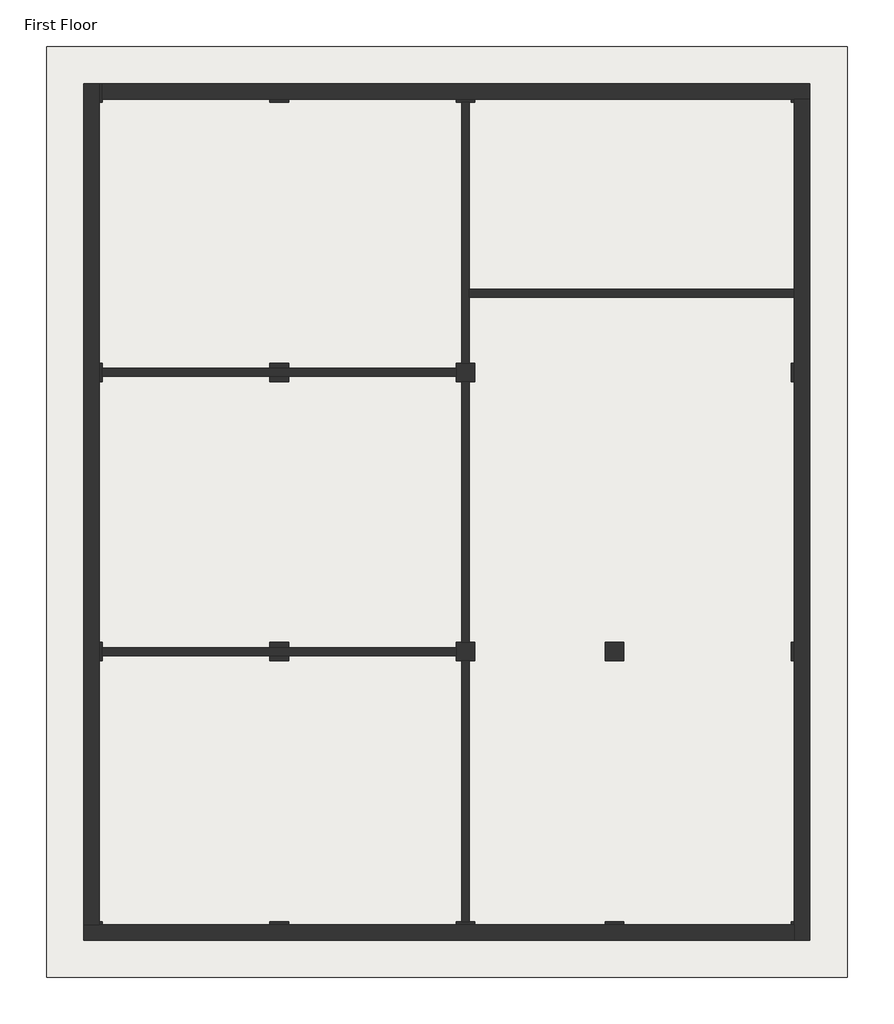
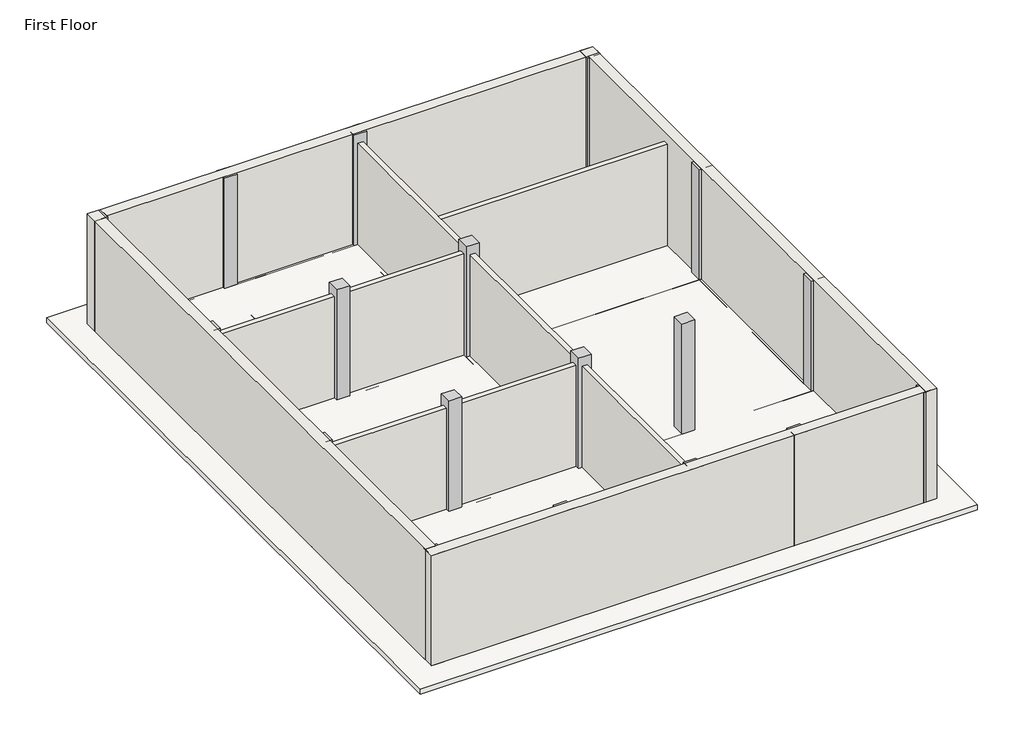
# One storey: 27 beams, 18 columns, 10 walls, 1 slab.
"""IFC4 building model written with IfcOpenShell, lengths in millimetres."""

from ifc_helpers import new_model, si_unit, frame, origin, place, context, project, spatial, polyline, outline, extrude, faceted_brep, element, save

model = new_model("IFC4")

# Units and contexts
model_context = context("Model", 3, world=origin())
ifc_project = project(units=[si_unit("LENGTHUNIT", "METRE", prefix="MILLI")], contexts=[model_context])

# Site, building, storey
site = spatial("IfcSite", under=ifc_project)
building = spatial("IfcBuilding", under=site)
storey = spatial("IfcBuildingStorey", under=building, Name="First Floor", Elevation=2870.2)

# Beams
placement = place(None, origin())
element("IfcBeam", 1, ObjectType="Concrete-Rectangular Beam", at=placement, inside=storey, context=model_context, shape_type="Brep", body=[
    faceted_brep([(6210.1409002, -15344.0114294, 2870.2), (6210.1409002, -15039.2114294, 2870.2), (5905.3409002, -15039.2114294, 2870.2), (3162.1409002, -15039.2114294, 2870.2), (2857.3409002, -15039.2114294, 2870.2), (2857.3409002, -15344.0114294, 2870.2), (3162.1409002, -15344.0114294, 2870.2), (5905.3409002, -15344.0114294, 2870.2), (2857.3409002, -15344.0114294, 2743.2), (3162.1409002, -15344.0114294, 2743.2), (3162.1409002, -15344.0114294, 2514.6), (5905.3409002, -15344.0114294, 2514.6), (5905.3409002, -15344.0114294, 2743.2), (6210.1409002, -15344.0114294, 2743.2), (3162.1409002, -15039.2114294, 2514.6), (5905.3409002, -15039.2114294, 2514.6), (6210.1409002, -15039.2114294, 2743.2), (5905.3409002, -15039.2114294, 2743.2), (3162.1409002, -15039.2114294, 2743.2), (2857.3409002, -15039.2114294, 2743.2)], [[[0, 1, 2, 3, 4, 5, 6, 7]], [[0, 7, 6, 5, 8, 9, 10, 11, 12, 13]], [[10, 14, 15, 11]], [[4, 3, 2, 1, 16, 17, 15, 14, 18, 19]], [[1, 0, 13, 16]], [[5, 4, 19, 8]], [[9, 18, 14, 10]], [[18, 9, 8, 19]], [[17, 12, 11, 15]], [[12, 17, 16, 13]]]),
])
element("IfcBeam", 2, ObjectType="Concrete-Rectangular Beam", at=placement, inside=storey, context=model_context, shape_type="Brep", body=[
    faceted_brep([(9258.1409002, -15344.0114294, 2870.2), (9258.1409002, -15039.2114294, 2870.2), (8953.3409002, -15039.2114294, 2870.2), (6210.1409002, -15039.2114294, 2870.2), (6210.1409002, -15344.0114294, 2870.2), (8953.3409002, -15344.0114294, 2870.2), (6210.1409002, -15344.0114294, 2743.2), (6210.1409002, -15344.0114294, 2514.6), (8953.3409002, -15344.0114294, 2514.6), (8953.3409002, -15344.0114294, 2743.2), (9258.1409002, -15344.0114294, 2743.2), (6210.1409002, -15039.2114294, 2514.6), (8953.3409002, -15039.2114294, 2514.6), (9258.1409002, -15039.2114294, 2743.2), (8953.3409002, -15039.2114294, 2743.2), (6210.1409002, -15039.2114294, 2743.2)], [[[0, 1, 2, 3, 4, 5]], [[0, 5, 4, 6, 7, 8, 9, 10]], [[7, 11, 12, 8]], [[3, 2, 1, 13, 14, 12, 11, 15]], [[1, 0, 10, 13]], [[4, 3, 15, 11, 7, 6]], [[14, 9, 8, 12]], [[9, 14, 13, 10]]]),
])
element("IfcBeam", 3, ObjectType="Concrete-Rectangular Beam", at=placement, inside=storey, context=model_context, shape_type="Brep", body=[
    faceted_brep([(11696.5409002, -15344.0114294, 2870.2), (11696.5409002, -15039.2114294, 2870.2), (11391.7409002, -15039.2114294, 2870.2), (9258.1409002, -15039.2114294, 2870.2), (9258.1409002, -15344.0114294, 2870.2), (11391.7409002, -15344.0114294, 2870.2), (9258.1409002, -15344.0114294, 2743.2), (9258.1409002, -15344.0114294, 2514.6), (11391.7409002, -15344.0114294, 2514.6), (11391.7409002, -15344.0114294, 2743.2), (11696.5409002, -15344.0114294, 2743.2), (9258.1409002, -15039.2114294, 2514.6), (11391.7409002, -15039.2114294, 2514.6), (11696.5409002, -15039.2114294, 2743.2), (11391.7409002, -15039.2114294, 2743.2), (9258.1409002, -15039.2114294, 2743.2)], [[[0, 1, 2, 3, 4, 5]], [[0, 5, 4, 6, 7, 8, 9, 10]], [[7, 11, 12, 8]], [[3, 2, 1, 13, 14, 12, 11, 15]], [[1, 0, 10, 13]], [[4, 3, 15, 11, 7, 6]], [[14, 9, 8, 12]], [[9, 14, 13, 10]]]),
])
element("IfcBeam", 4, ObjectType="Concrete-Rectangular Beam", at=placement, inside=storey, context=model_context, shape_type="Brep", body=[
    faceted_brep([(14744.5409002, -15344.0114294, 2870.2), (14744.5409002, -15039.2114294, 2870.2), (14439.7409002, -15039.2114294, 2870.2), (11696.5409002, -15039.2114294, 2870.2), (11696.5409002, -15344.0114294, 2870.2), (14439.7409002, -15344.0114294, 2870.2), (11696.5409002, -15344.0114294, 2743.2), (11696.5409002, -15344.0114294, 2514.6), (14439.7409002, -15344.0114294, 2514.6), (14439.7409002, -15344.0114294, 2743.2), (14744.5409002, -15344.0114294, 2743.2), (11696.5409002, -15039.2114294, 2514.6), (14439.7409002, -15039.2114294, 2514.6), (14744.5409002, -15039.2114294, 2743.2), (14439.7409002, -15039.2114294, 2743.2), (11696.5409002, -15039.2114294, 2743.2)], [[[0, 1, 2, 3, 4, 5]], [[0, 5, 4, 6, 7, 8, 9, 10]], [[7, 11, 12, 8]], [[3, 2, 1, 13, 14, 12, 11, 15]], [[1, 0, 10, 13]], [[4, 3, 15, 11, 7, 6]], [[14, 9, 8, 12]], [[9, 14, 13, 10]]]),
])
element("IfcBeam", 5, ObjectType="Concrete-Rectangular Beam", at=placement, inside=storey, context=model_context, shape_type="Brep", body=[
    faceted_brep([(6210.1409002, -10772.0114294, 2870.2), (6210.1409002, -10467.2114294, 2870.2), (5905.3409002, -10467.2114294, 2870.2), (3162.1409002, -10467.2114294, 2870.2), (2857.3409002, -10467.2114294, 2870.2), (2857.3409002, -10772.0114294, 2870.2), (3162.1409002, -10772.0114294, 2870.2), (5905.3409002, -10772.0114294, 2870.2), (2857.3409002, -10772.0114294, 2743.2), (3162.1409002, -10772.0114294, 2743.2), (3162.1409002, -10772.0114294, 2514.6), (5905.3409002, -10772.0114294, 2514.6), (5905.3409002, -10772.0114294, 2743.2), (6210.1409002, -10772.0114294, 2743.2), (3162.1409002, -10467.2114294, 2514.6), (5905.3409002, -10467.2114294, 2514.6), (6210.1409002, -10467.2114294, 2743.2), (5905.3409002, -10467.2114294, 2743.2), (3162.1409002, -10467.2114294, 2743.2), (2857.3409002, -10467.2114294, 2743.2)], [[[0, 1, 2, 3, 4, 5, 6, 7]], [[0, 7, 6, 5, 8, 9, 10, 11, 12, 13]], [[10, 14, 15, 11]], [[4, 3, 2, 1, 16, 17, 15, 14, 18, 19]], [[1, 0, 13, 16]], [[5, 4, 19, 8]], [[9, 18, 14, 10]], [[18, 9, 8, 19]], [[17, 12, 11, 15]], [[12, 17, 16, 13]]]),
])
element("IfcBeam", 6, ObjectType="Concrete-Rectangular Beam", at=placement, inside=storey, context=model_context, shape_type="Brep", body=[
    faceted_brep([(9258.1409002, -10772.0114294, 2870.2), (9258.1409002, -10467.2114294, 2870.2), (8953.3409002, -10467.2114294, 2870.2), (6210.1409002, -10467.2114294, 2870.2), (6210.1409002, -10772.0114294, 2870.2), (8953.3409002, -10772.0114294, 2870.2), (6210.1409002, -10772.0114294, 2743.2), (6210.1409002, -10772.0114294, 2514.6), (8953.3409002, -10772.0114294, 2514.6), (8953.3409002, -10772.0114294, 2743.2), (9258.1409002, -10772.0114294, 2743.2), (6210.1409002, -10467.2114294, 2514.6), (8953.3409002, -10467.2114294, 2514.6), (9258.1409002, -10467.2114294, 2743.2), (8953.3409002, -10467.2114294, 2743.2), (6210.1409002, -10467.2114294, 2743.2)], [[[0, 1, 2, 3, 4, 5]], [[0, 5, 4, 6, 7, 8, 9, 10]], [[7, 11, 12, 8]], [[3, 2, 1, 13, 14, 12, 11, 15]], [[1, 0, 10, 13]], [[4, 3, 15, 11, 7, 6]], [[14, 9, 8, 12]], [[9, 14, 13, 10]]]),
])
element("IfcBeam", 7, ObjectType="Concrete-Rectangular Beam", at=placement, inside=storey, context=model_context, shape_type="Brep", body=[
    faceted_brep([(11696.5409002, -10772.0114294, 2870.2), (11696.5409002, -10467.2114294, 2870.2), (11391.7409002, -10467.2114294, 2870.2), (9258.1409002, -10467.2114294, 2870.2), (9258.1409002, -10772.0114294, 2870.2), (11391.7409002, -10772.0114294, 2870.2), (9258.1409002, -10772.0114294, 2743.2), (9258.1409002, -10772.0114294, 2514.6), (11391.7409002, -10772.0114294, 2514.6), (11391.7409002, -10772.0114294, 2743.2), (11696.5409002, -10772.0114294, 2743.2), (9258.1409002, -10467.2114294, 2514.6), (11391.7409002, -10467.2114294, 2514.6), (11696.5409002, -10467.2114294, 2743.2), (11391.7409002, -10467.2114294, 2743.2), (9258.1409002, -10467.2114294, 2743.2)], [[[0, 1, 2, 3, 4, 5]], [[0, 5, 4, 6, 7, 8, 9, 10]], [[7, 11, 12, 8]], [[3, 2, 1, 13, 14, 12, 11, 15]], [[1, 0, 10, 13]], [[4, 3, 15, 11, 7, 6]], [[14, 9, 8, 12]], [[9, 14, 13, 10]]]),
])
element("IfcBeam", 8, ObjectType="Concrete-Rectangular Beam", at=placement, inside=storey, context=model_context, shape_type="Brep", body=[
    faceted_brep([(14744.5409002, -10772.0114294, 2870.2), (14744.5409002, -10467.2114294, 2870.2), (14439.7409002, -10467.2114294, 2870.2), (11696.5409002, -10467.2114294, 2870.2), (11696.5409002, -10772.0114294, 2870.2), (14439.7409002, -10772.0114294, 2870.2), (11696.5409002, -10772.0114294, 2743.2), (11696.5409002, -10772.0114294, 2514.6), (14439.7409002, -10772.0114294, 2514.6), (14439.7409002, -10772.0114294, 2743.2), (14744.5409002, -10772.0114294, 2743.2), (11696.5409002, -10467.2114294, 2514.6), (14439.7409002, -10467.2114294, 2514.6), (14744.5409002, -10467.2114294, 2743.2), (14439.7409002, -10467.2114294, 2743.2), (11696.5409002, -10467.2114294, 2743.2)], [[[0, 1, 2, 3, 4, 5]], [[0, 5, 4, 6, 7, 8, 9, 10]], [[7, 11, 12, 8]], [[3, 2, 1, 13, 14, 12, 11, 15]], [[1, 0, 10, 13]], [[4, 3, 15, 11, 7, 6]], [[14, 9, 8, 12]], [[9, 14, 13, 10]]]),
])
element("IfcBeam", 9, ObjectType="Concrete-Rectangular Beam", at=placement, inside=storey, context=model_context, shape_type="Brep", body=[
    faceted_brep([(6210.1409002, -6200.0114294, 2870.2), (6210.1409002, -5895.2114294, 2870.2), (5905.3409002, -5895.2114294, 2870.2), (3162.1409002, -5895.2114294, 2870.2), (2857.3409002, -5895.2114294, 2870.2), (2857.3409002, -6200.0114294, 2870.2), (3162.1409002, -6200.0114294, 2870.2), (5905.3409002, -6200.0114294, 2870.2), (2857.3409002, -6200.0114294, 2743.2), (3162.1409002, -6200.0114294, 2743.2), (3162.1409002, -6200.0114294, 2514.6), (5905.3409002, -6200.0114294, 2514.6), (5905.3409002, -6200.0114294, 2743.2), (6210.1409002, -6200.0114294, 2743.2), (3162.1409002, -5895.2114294, 2514.6), (5905.3409002, -5895.2114294, 2514.6), (6210.1409002, -5895.2114294, 2743.2), (5905.3409002, -5895.2114294, 2743.2), (3162.1409002, -5895.2114294, 2743.2), (2857.3409002, -5895.2114294, 2743.2)], [[[0, 1, 2, 3, 4, 5, 6, 7]], [[0, 7, 6, 5, 8, 9, 10, 11, 12, 13]], [[10, 14, 15, 11]], [[4, 3, 2, 1, 16, 17, 15, 14, 18, 19]], [[1, 0, 13, 16]], [[5, 4, 19, 8]], [[9, 18, 14, 10]], [[18, 9, 8, 19]], [[17, 12, 11, 15]], [[12, 17, 16, 13]]]),
])
element("IfcBeam", 10, ObjectType="Concrete-Rectangular Beam", at=placement, inside=storey, context=model_context, shape_type="Brep", body=[
    faceted_brep([(9258.1409002, -6200.0114294, 2870.2), (9258.1409002, -5895.2114294, 2870.2), (8953.3409002, -5895.2114294, 2870.2), (6210.1409002, -5895.2114294, 2870.2), (6210.1409002, -6200.0114294, 2870.2), (8953.3409002, -6200.0114294, 2870.2), (6210.1409002, -6200.0114294, 2743.2), (6210.1409002, -6200.0114294, 2514.6), (8953.3409002, -6200.0114294, 2514.6), (8953.3409002, -6200.0114294, 2743.2), (9258.1409002, -6200.0114294, 2743.2), (6210.1409002, -5895.2114294, 2514.6), (8953.3409002, -5895.2114294, 2514.6), (9258.1409002, -5895.2114294, 2743.2), (8953.3409002, -5895.2114294, 2743.2), (6210.1409002, -5895.2114294, 2743.2)], [[[0, 1, 2, 3, 4, 5]], [[0, 5, 4, 6, 7, 8, 9, 10]], [[7, 11, 12, 8]], [[3, 2, 1, 13, 14, 12, 11, 15]], [[1, 0, 10, 13]], [[4, 3, 15, 11, 7, 6]], [[14, 9, 8, 12]], [[9, 14, 13, 10]]]),
])
element("IfcBeam", 11, ObjectType="Concrete-Rectangular Beam", at=placement, inside=storey, context=model_context, shape_type="Brep", body=[
    faceted_brep([(14744.5409002, -6200.0114294, 2870.2), (14744.5409002, -5895.2114294, 2870.2), (14439.7409002, -5895.2114294, 2870.2), (9258.1409002, -5895.2114294, 2870.2), (9258.1409002, -6200.0114294, 2870.2), (14439.7409002, -6200.0114294, 2870.2), (9258.1409002, -6200.0114294, 2743.2), (9258.1409002, -6200.0114294, 2514.6), (14439.7409002, -6200.0114294, 2514.6), (14439.7409002, -6200.0114294, 2743.2), (14744.5409002, -6200.0114294, 2743.2), (9258.1409002, -5895.2114294, 2514.6), (14439.7409002, -5895.2114294, 2514.6), (14744.5409002, -5895.2114294, 2743.2), (14439.7409002, -5895.2114294, 2743.2), (9258.1409002, -5895.2114294, 2743.2)], [[[0, 1, 2, 3, 4, 5]], [[0, 5, 4, 6, 7, 8, 9, 10]], [[7, 11, 12, 8]], [[3, 2, 1, 13, 14, 12, 11, 15]], [[1, 0, 10, 13]], [[4, 3, 15, 11, 7, 6]], [[14, 9, 8, 12]], [[9, 14, 13, 10]]]),
])
element("IfcBeam", 12, ObjectType="Concrete-Rectangular Beam", at=placement, inside=storey, context=model_context, shape_type="Brep", body=[
    faceted_brep([(3162.1409002, -1323.2114294, 2870.2), (2857.3409002, -1323.2114294, 2870.2), (2857.3409002, -1628.0114294, 2870.2), (2857.3409002, -5895.2114294, 2870.2), (3162.1409002, -5895.2114294, 2870.2), (3162.1409002, -1628.0114294, 2870.2), (2857.3409002, -1323.2114294, 2743.2), (2857.3409002, -1628.0114294, 2743.2), (2857.3409002, -1628.0114294, 2514.6), (2857.3409002, -5895.2114294, 2514.6), (2857.3409002, -5895.2114294, 2743.2), (3162.1409002, -5895.2114294, 2514.6), (3162.1409002, -1628.0114294, 2514.6), (3162.1409002, -5895.2114294, 2743.2), (3162.1409002, -1628.0114294, 2743.2), (3162.1409002, -1323.2114294, 2743.2)], [[[0, 1, 2, 3, 4, 5]], [[3, 2, 1, 6, 7, 8, 9, 10]], [[11, 9, 8, 12]], [[0, 5, 4, 13, 11, 12, 14, 15]], [[1, 0, 15, 6]], [[4, 3, 10, 9, 11, 13]], [[7, 14, 12, 8]], [[14, 7, 6, 15]]]),
])
element("IfcBeam", 13, ObjectType="Concrete-Rectangular Beam", at=placement, inside=storey, context=model_context, shape_type="Brep", body=[
    faceted_brep([(2857.3409002, -10467.2114294, 2870.2), (3162.1409002, -10467.2114294, 2870.2), (3162.1409002, -6200.0114294, 2870.2), (2857.3409002, -6200.0114294, 2870.2), (2857.3409002, -10467.2114294, 2514.6), (2857.3409002, -10467.2114294, 2743.2), (2857.3409002, -6200.0114294, 2743.2), (2857.3409002, -6200.0114294, 2514.6), (3162.1409002, -10467.2114294, 2514.6), (3162.1409002, -6200.0114294, 2514.6), (3162.1409002, -10467.2114294, 2743.2), (3162.1409002, -6200.0114294, 2743.2)], [[[0, 1, 2, 3]], [[4, 5, 0, 3, 6, 7]], [[8, 4, 7, 9]], [[1, 10, 8, 9, 11, 2]], [[1, 0, 5, 4, 8, 10]], [[3, 2, 11, 9, 7, 6]]]),
])
element("IfcBeam", 14, ObjectType="Concrete-Rectangular Beam", at=placement, inside=storey, context=model_context, shape_type="Brep", body=[
    faceted_brep([(2857.3409002, -15039.2114294, 2870.2), (3162.1409002, -15039.2114294, 2870.2), (3162.1409002, -10772.0114294, 2870.2), (2857.3409002, -10772.0114294, 2870.2), (2857.3409002, -15039.2114294, 2514.6), (2857.3409002, -15039.2114294, 2743.2), (2857.3409002, -10772.0114294, 2743.2), (2857.3409002, -10772.0114294, 2514.6), (3162.1409002, -15039.2114294, 2514.6), (3162.1409002, -10772.0114294, 2514.6), (3162.1409002, -15039.2114294, 2743.2), (3162.1409002, -10772.0114294, 2743.2)], [[[0, 1, 2, 3]], [[4, 5, 0, 3, 6, 7]], [[8, 4, 7, 9]], [[1, 10, 8, 9, 11, 2]], [[1, 0, 5, 4, 8, 10]], [[3, 2, 11, 9, 7, 6]]]),
])
element("IfcBeam", 15, ObjectType="Concrete-Rectangular Beam", at=placement, inside=storey, context=model_context, shape_type="Brep", body=[
    faceted_brep([(9258.1409002, -1323.2114294, 2870.2), (8953.3409002, -1323.2114294, 2870.2), (8953.3409002, -1628.0114294, 2870.2), (8953.3409002, -5895.2114294, 2870.2), (9258.1409002, -5895.2114294, 2870.2), (9258.1409002, -1628.0114294, 2870.2), (8953.3409002, -1323.2114294, 2743.2), (8953.3409002, -1628.0114294, 2743.2), (8953.3409002, -1628.0114294, 2514.6), (8953.3409002, -5895.2114294, 2514.6), (8953.3409002, -5895.2114294, 2743.2), (9258.1409002, -5895.2114294, 2514.6), (9258.1409002, -1628.0114294, 2514.6), (9258.1409002, -5895.2114294, 2743.2), (9258.1409002, -1628.0114294, 2743.2), (9258.1409002, -1323.2114294, 2743.2)], [[[0, 1, 2, 3, 4, 5]], [[3, 2, 1, 6, 7, 8, 9, 10]], [[11, 9, 8, 12]], [[0, 5, 4, 13, 11, 12, 14, 15]], [[1, 0, 15, 6]], [[4, 3, 10, 9, 11, 13]], [[7, 14, 12, 8]], [[14, 7, 6, 15]]]),
])
element("IfcBeam", 16, ObjectType="Concrete-Rectangular Beam", at=placement, inside=storey, context=model_context, shape_type="Brep", body=[
    faceted_brep([(8953.3409002, -10467.2114294, 2870.2), (9258.1409002, -10467.2114294, 2870.2), (9258.1409002, -6200.0114294, 2870.2), (8953.3409002, -6200.0114294, 2870.2), (8953.3409002, -10467.2114294, 2514.6), (8953.3409002, -10467.2114294, 2743.2), (8953.3409002, -6200.0114294, 2743.2), (8953.3409002, -6200.0114294, 2514.6), (9258.1409002, -10467.2114294, 2514.6), (9258.1409002, -6200.0114294, 2514.6), (9258.1409002, -10467.2114294, 2743.2), (9258.1409002, -6200.0114294, 2743.2)], [[[0, 1, 2, 3]], [[4, 5, 0, 3, 6, 7]], [[8, 4, 7, 9]], [[1, 10, 8, 9, 11, 2]], [[1, 0, 5, 4, 8, 10]], [[3, 2, 11, 9, 7, 6]]]),
])
element("IfcBeam", 17, ObjectType="Concrete-Rectangular Beam", at=placement, inside=storey, context=model_context, shape_type="Brep", body=[
    faceted_brep([(8953.3409002, -15039.2114294, 2870.2), (9258.1409002, -15039.2114294, 2870.2), (9258.1409002, -10772.0114294, 2870.2), (8953.3409002, -10772.0114294, 2870.2), (8953.3409002, -15039.2114294, 2514.6), (8953.3409002, -15039.2114294, 2743.2), (8953.3409002, -10772.0114294, 2743.2), (8953.3409002, -10772.0114294, 2514.6), (9258.1409002, -15039.2114294, 2514.6), (9258.1409002, -10772.0114294, 2514.6), (9258.1409002, -15039.2114294, 2743.2), (9258.1409002, -10772.0114294, 2743.2)], [[[0, 1, 2, 3]], [[4, 5, 0, 3, 6, 7]], [[8, 4, 7, 9]], [[1, 10, 8, 9, 11, 2]], [[1, 0, 5, 4, 8, 10]], [[3, 2, 11, 9, 7, 6]]]),
])
element("IfcBeam", 18, ObjectType="Concrete-Rectangular Beam", at=placement, inside=storey, context=model_context, shape_type="Brep", body=[
    faceted_brep([(11391.7409002, -15039.2114294, 2870.2), (11696.5409002, -15039.2114294, 2870.2), (11696.5409002, -10772.0114294, 2870.2), (11391.7409002, -10772.0114294, 2870.2), (11391.7409002, -15039.2114294, 2514.6), (11391.7409002, -15039.2114294, 2743.2), (11391.7409002, -10772.0114294, 2743.2), (11391.7409002, -10772.0114294, 2514.6), (11696.5409002, -15039.2114294, 2514.6), (11696.5409002, -10772.0114294, 2514.6), (11696.5409002, -15039.2114294, 2743.2), (11696.5409002, -10772.0114294, 2743.2)], [[[0, 1, 2, 3]], [[4, 5, 0, 3, 6, 7]], [[8, 4, 7, 9]], [[1, 10, 8, 9, 11, 2]], [[1, 0, 5, 4, 8, 10]], [[3, 2, 11, 9, 7, 6]]]),
])
element("IfcBeam", 19, ObjectType="Concrete-Rectangular Beam", at=placement, inside=storey, context=model_context, shape_type="Brep", body=[
    faceted_brep([(6210.1409002, -1628.0114294, 2870.2), (6210.1409002, -1323.2114294, 2870.2), (5905.3409002, -1323.2114294, 2870.2), (3162.1409002, -1323.2114294, 2870.2), (3162.1409002, -1628.0114294, 2870.2), (5905.3409002, -1628.0114294, 2870.2), (3162.1409002, -1628.0114294, 2743.2), (3162.1409002, -1628.0114294, 2514.6), (5905.3409002, -1628.0114294, 2514.6), (5905.3409002, -1628.0114294, 2743.2), (6210.1409002, -1628.0114294, 2743.2), (3162.1409002, -1323.2114294, 2514.6), (5905.3409002, -1323.2114294, 2514.6), (6210.1409002, -1323.2114294, 2743.2), (5905.3409002, -1323.2114294, 2743.2), (3162.1409002, -1323.2114294, 2743.2)], [[[0, 1, 2, 3, 4, 5]], [[0, 5, 4, 6, 7, 8, 9, 10]], [[7, 11, 12, 8]], [[3, 2, 1, 13, 14, 12, 11, 15]], [[1, 0, 10, 13]], [[4, 3, 15, 11, 7, 6]], [[14, 9, 8, 12]], [[9, 14, 13, 10]]]),
])
element("IfcBeam", 20, ObjectType="Concrete-Rectangular Beam", at=placement, inside=storey, context=model_context, shape_type="Brep", body=[
    faceted_brep([(8953.3409002, -1628.0114294, 2870.2), (8953.3409002, -1323.2114294, 2870.2), (6210.1409002, -1323.2114294, 2870.2), (6210.1409002, -1628.0114294, 2870.2), (8953.3409002, -1628.0114294, 2514.6), (8953.3409002, -1628.0114294, 2743.2), (6210.1409002, -1628.0114294, 2743.2), (6210.1409002, -1628.0114294, 2514.6), (8953.3409002, -1323.2114294, 2514.6), (6210.1409002, -1323.2114294, 2514.6), (8953.3409002, -1323.2114294, 2743.2), (6210.1409002, -1323.2114294, 2743.2)], [[[0, 1, 2, 3]], [[4, 5, 0, 3, 6, 7]], [[8, 4, 7, 9]], [[1, 10, 8, 9, 11, 2]], [[1, 0, 5, 4, 8, 10]], [[3, 2, 11, 9, 7, 6]]]),
])
element("IfcBeam", 21, ObjectType="Concrete-Rectangular Beam", at=placement, inside=storey, context=model_context, shape_type="Brep", body=[
    faceted_brep([(14744.5409002, -1628.0114294, 2870.2), (14744.5409002, -1323.2114294, 2870.2), (14439.7409002, -1323.2114294, 2870.2), (9258.1409002, -1323.2114294, 2870.2), (9258.1409002, -1628.0114294, 2870.2), (14439.7409002, -1628.0114294, 2870.2), (9258.1409002, -1628.0114294, 2743.2), (9258.1409002, -1628.0114294, 2514.6), (14439.7409002, -1628.0114294, 2514.6), (14439.7409002, -1628.0114294, 2743.2), (14744.5409002, -1628.0114294, 2743.2), (9258.1409002, -1323.2114294, 2514.6), (14439.7409002, -1323.2114294, 2514.6), (14744.5409002, -1323.2114294, 2743.2), (14439.7409002, -1323.2114294, 2743.2), (9258.1409002, -1323.2114294, 2743.2)], [[[0, 1, 2, 3, 4, 5]], [[0, 5, 4, 6, 7, 8, 9, 10]], [[7, 11, 12, 8]], [[3, 2, 1, 13, 14, 12, 11, 15]], [[1, 0, 10, 13]], [[4, 3, 15, 11, 7, 6]], [[14, 9, 8, 12]], [[9, 14, 13, 10]]]),
])
element("IfcBeam", 22, ObjectType="Concrete-Rectangular Beam", at=placement, inside=storey, context=model_context, shape_type="Brep", body=[
    faceted_brep([(14439.7409002, -5895.2114294, 2870.2), (14744.5409002, -5895.2114294, 2870.2), (14744.5409002, -1628.0114294, 2870.2), (14439.7409002, -1628.0114294, 2870.2), (14439.7409002, -5895.2114294, 2514.6), (14439.7409002, -5895.2114294, 2743.2), (14439.7409002, -1628.0114294, 2743.2), (14439.7409002, -1628.0114294, 2514.6), (14744.5409002, -5895.2114294, 2514.6), (14744.5409002, -1628.0114294, 2514.6), (14744.5409002, -5895.2114294, 2743.2), (14744.5409002, -1628.0114294, 2743.2)], [[[0, 1, 2, 3]], [[4, 5, 0, 3, 6, 7]], [[8, 4, 7, 9]], [[1, 10, 8, 9, 11, 2]], [[1, 0, 5, 4, 8, 10]], [[3, 2, 11, 9, 7, 6]]]),
])
element("IfcBeam", 23, ObjectType="Concrete-Rectangular Beam", at=placement, inside=storey, context=model_context, shape_type="Brep", body=[
    faceted_brep([(14439.7409002, -10467.2114294, 2870.2), (14744.5409002, -10467.2114294, 2870.2), (14744.5409002, -6200.0114294, 2870.2), (14439.7409002, -6200.0114294, 2870.2), (14439.7409002, -10467.2114294, 2514.6), (14439.7409002, -10467.2114294, 2743.2), (14439.7409002, -6200.0114294, 2743.2), (14439.7409002, -6200.0114294, 2514.6), (14744.5409002, -10467.2114294, 2514.6), (14744.5409002, -6200.0114294, 2514.6), (14744.5409002, -10467.2114294, 2743.2), (14744.5409002, -6200.0114294, 2743.2)], [[[0, 1, 2, 3]], [[4, 5, 0, 3, 6, 7]], [[8, 4, 7, 9]], [[1, 10, 8, 9, 11, 2]], [[1, 0, 5, 4, 8, 10]], [[3, 2, 11, 9, 7, 6]]]),
])
element("IfcBeam", 24, ObjectType="Concrete-Rectangular Beam", at=placement, inside=storey, context=model_context, shape_type="Brep", body=[
    faceted_brep([(14439.7409002, -15039.2114294, 2870.2), (14744.5409002, -15039.2114294, 2870.2), (14744.5409002, -10772.0114294, 2870.2), (14439.7409002, -10772.0114294, 2870.2), (14439.7409002, -15039.2114294, 2514.6), (14439.7409002, -15039.2114294, 2743.2), (14439.7409002, -10772.0114294, 2743.2), (14439.7409002, -10772.0114294, 2514.6), (14744.5409002, -15039.2114294, 2514.6), (14744.5409002, -10772.0114294, 2514.6), (14744.5409002, -15039.2114294, 2743.2), (14744.5409002, -10772.0114294, 2743.2)], [[[0, 1, 2, 3]], [[4, 5, 0, 3, 6, 7]], [[8, 4, 7, 9]], [[1, 10, 8, 9, 11, 2]], [[1, 0, 5, 4, 8, 10]], [[3, 2, 11, 9, 7, 6]]]),
])
element("IfcBeam", 25, ObjectType="Concrete-Rectangular Beam", at=placement, inside=storey, context=model_context, shape_type="Brep", body=[
    faceted_brep([(5905.3409002, -5895.2114294, 2870.2), (6210.1409002, -5895.2114294, 2870.2), (6210.1409002, -1628.0114294, 2870.2), (5905.3409002, -1628.0114294, 2870.2), (5905.3409002, -5895.2114294, 2514.6), (5905.3409002, -5895.2114294, 2743.2), (5905.3409002, -1628.0114294, 2743.2), (5905.3409002, -1628.0114294, 2514.6), (6210.1409002, -5895.2114294, 2514.6), (6210.1409002, -1628.0114294, 2514.6), (6210.1409002, -5895.2114294, 2743.2), (6210.1409002, -1628.0114294, 2743.2)], [[[0, 1, 2, 3]], [[4, 5, 0, 3, 6, 7]], [[8, 4, 7, 9]], [[1, 10, 8, 9, 11, 2]], [[1, 0, 5, 4, 8, 10]], [[3, 2, 11, 9, 7, 6]]]),
])
element("IfcBeam", 26, ObjectType="Concrete-Rectangular Beam", at=placement, inside=storey, context=model_context, shape_type="Brep", body=[
    faceted_brep([(5905.3409002, -10467.2114294, 2870.2), (6210.1409002, -10467.2114294, 2870.2), (6210.1409002, -6200.0114294, 2870.2), (5905.3409002, -6200.0114294, 2870.2), (5905.3409002, -10467.2114294, 2514.6), (5905.3409002, -10467.2114294, 2743.2), (5905.3409002, -6200.0114294, 2743.2), (5905.3409002, -6200.0114294, 2514.6), (6210.1409002, -10467.2114294, 2514.6), (6210.1409002, -6200.0114294, 2514.6), (6210.1409002, -10467.2114294, 2743.2), (6210.1409002, -6200.0114294, 2743.2)], [[[0, 1, 2, 3]], [[4, 5, 0, 3, 6, 7]], [[8, 4, 7, 9]], [[1, 10, 8, 9, 11, 2]], [[1, 0, 5, 4, 8, 10]], [[3, 2, 11, 9, 7, 6]]]),
])
element("IfcBeam", 27, ObjectType="Concrete-Rectangular Beam", at=placement, inside=storey, context=model_context, shape_type="Brep", body=[
    faceted_brep([(5905.3409002, -15039.2114294, 2870.2), (6210.1409002, -15039.2114294, 2870.2), (6210.1409002, -10772.0114294, 2870.2), (5905.3409002, -10772.0114294, 2870.2), (5905.3409002, -15039.2114294, 2514.6), (5905.3409002, -15039.2114294, 2743.2), (5905.3409002, -10772.0114294, 2743.2), (5905.3409002, -10772.0114294, 2514.6), (6210.1409002, -15039.2114294, 2514.6), (6210.1409002, -10772.0114294, 2514.6), (6210.1409002, -15039.2114294, 2743.2), (6210.1409002, -10772.0114294, 2743.2)], [[[0, 1, 2, 3]], [[4, 5, 0, 3, 6, 7]], [[8, 4, 7, 9]], [[1, 10, 8, 9, 11, 2]], [[1, 0, 5, 4, 8, 10]], [[3, 2, 11, 9, 7, 6]]]),
])

# Columns
element("IfcColumn", 28, ObjectType="Concrete-Rectangular-Column", at=placement, inside=storey, context=model_context, shape_type="SweptSolid", body=[
    extrude(outline(polyline([(3162.1409002, -15039.2114294), (3162.1409002, -15344.0114294), (2857.3409002, -15344.0114294), (2857.3409002, -15039.2114294), (3162.1409002, -15039.2114294)])), frame((0.0, 0.0, 2870.2), z_axis=(0.0, 0.0, 1.0), x_axis=(1.0, 0.0, 0.0)), (0.0, 0.0, 1.0), 2743.2),
])
element("IfcColumn", 29, ObjectType="Concrete-Rectangular-Column", at=placement, inside=storey, context=model_context, shape_type="SweptSolid", body=[
    extrude(outline(polyline([(9258.1409002, -15039.2114294), (9258.1409002, -15344.0114294), (8953.3409002, -15344.0114294), (8953.3409002, -15039.2114294), (9258.1409002, -15039.2114294)])), frame((0.0, 0.0, 2870.2), z_axis=(0.0, 0.0, 1.0), x_axis=(1.0, 0.0, 0.0)), (0.0, 0.0, 1.0), 2743.2),
])
element("IfcColumn", 30, ObjectType="Concrete-Rectangular-Column", at=placement, inside=storey, context=model_context, shape_type="SweptSolid", body=[
    extrude(outline(polyline([(11696.5409002, -15039.2114294), (11696.5409002, -15344.0114294), (11391.7409002, -15344.0114294), (11391.7409002, -15039.2114294), (11696.5409002, -15039.2114294)])), frame((0.0, 0.0, 2870.2), z_axis=(0.0, 0.0, 1.0), x_axis=(1.0, 0.0, 0.0)), (0.0, 0.0, 1.0), 2743.2),
])
element("IfcColumn", 31, ObjectType="Concrete-Rectangular-Column", at=placement, inside=storey, context=model_context, shape_type="SweptSolid", body=[
    extrude(outline(polyline([(14744.5409002, -15039.2114294), (14744.5409002, -15344.0114294), (14439.7409002, -15344.0114294), (14439.7409002, -15039.2114294), (14744.5409002, -15039.2114294)])), frame((0.0, 0.0, 2870.2), z_axis=(0.0, 0.0, 1.0), x_axis=(1.0, 0.0, 0.0)), (0.0, 0.0, 1.0), 2743.2),
])
element("IfcColumn", 32, ObjectType="Concrete-Rectangular-Column", at=placement, inside=storey, context=model_context, shape_type="SweptSolid", body=[
    extrude(outline(polyline([(6210.1409002, -15039.2114294), (6210.1409002, -15344.0114294), (5905.3409002, -15344.0114294), (5905.3409002, -15039.2114294), (6210.1409002, -15039.2114294)])), frame((0.0, 0.0, 2870.2), z_axis=(0.0, 0.0, 1.0), x_axis=(1.0, 0.0, 0.0)), (0.0, 0.0, 1.0), 2743.2),
])
element("IfcColumn", 33, ObjectType="Concrete-Rectangular-Column", at=placement, inside=storey, context=model_context, shape_type="SweptSolid", body=[
    extrude(outline(polyline([(3162.1409002, -10467.2114294), (3162.1409002, -10772.0114294), (2857.3409002, -10772.0114294), (2857.3409002, -10467.2114294), (3162.1409002, -10467.2114294)])), frame((0.0, 0.0, 2870.2), z_axis=(0.0, 0.0, 1.0), x_axis=(1.0, 0.0, 0.0)), (0.0, 0.0, 1.0), 2743.2),
])
element("IfcColumn", 34, ObjectType="Concrete-Rectangular-Column", at=placement, inside=storey, context=model_context, shape_type="SweptSolid", body=[
    extrude(outline(polyline([(9258.1409002, -10467.2114294), (9258.1409002, -10772.0114294), (8953.3409002, -10772.0114294), (8953.3409002, -10467.2114294), (9258.1409002, -10467.2114294)])), frame((0.0, 0.0, 2870.2), z_axis=(0.0, 0.0, 1.0), x_axis=(1.0, 0.0, 0.0)), (0.0, 0.0, 1.0), 2743.2),
])
element("IfcColumn", 35, ObjectType="Concrete-Rectangular-Column", at=placement, inside=storey, context=model_context, shape_type="SweptSolid", body=[
    extrude(outline(polyline([(11696.5409002, -10467.2114294), (11696.5409002, -10772.0114294), (11391.7409002, -10772.0114294), (11391.7409002, -10467.2114294), (11696.5409002, -10467.2114294)])), frame((0.0, 0.0, 2870.2), z_axis=(0.0, 0.0, 1.0), x_axis=(1.0, 0.0, 0.0)), (0.0, 0.0, 1.0), 2743.2),
])
element("IfcColumn", 36, ObjectType="Concrete-Rectangular-Column", at=placement, inside=storey, context=model_context, shape_type="SweptSolid", body=[
    extrude(outline(polyline([(14744.5409002, -10467.2114294), (14744.5409002, -10772.0114294), (14439.7409002, -10772.0114294), (14439.7409002, -10467.2114294), (14744.5409002, -10467.2114294)])), frame((0.0, 0.0, 2870.2), z_axis=(0.0, 0.0, 1.0), x_axis=(1.0, 0.0, 0.0)), (0.0, 0.0, 1.0), 2743.2),
])
element("IfcColumn", 37, ObjectType="Concrete-Rectangular-Column", at=placement, inside=storey, context=model_context, shape_type="SweptSolid", body=[
    extrude(outline(polyline([(6210.1409002, -10467.2114294), (6210.1409002, -10772.0114294), (5905.3409002, -10772.0114294), (5905.3409002, -10467.2114294), (6210.1409002, -10467.2114294)])), frame((0.0, 0.0, 2870.2), z_axis=(0.0, 0.0, 1.0), x_axis=(1.0, 0.0, 0.0)), (0.0, 0.0, 1.0), 2743.2),
])
element("IfcColumn", 38, ObjectType="Concrete-Rectangular-Column", at=placement, inside=storey, context=model_context, shape_type="SweptSolid", body=[
    extrude(outline(polyline([(3162.1409002, -5895.2114294), (3162.1409002, -6200.0114294), (2857.3409002, -6200.0114294), (2857.3409002, -5895.2114294), (3162.1409002, -5895.2114294)])), frame((0.0, 0.0, 2870.2), z_axis=(0.0, 0.0, 1.0), x_axis=(1.0, 0.0, 0.0)), (0.0, 0.0, 1.0), 2743.2),
])
element("IfcColumn", 39, ObjectType="Concrete-Rectangular-Column", at=placement, inside=storey, context=model_context, shape_type="SweptSolid", body=[
    extrude(outline(polyline([(9258.1409002, -5895.2114294), (9258.1409002, -6200.0114294), (8953.3409002, -6200.0114294), (8953.3409002, -5895.2114294), (9258.1409002, -5895.2114294)])), frame((0.0, 0.0, 2870.2), z_axis=(0.0, 0.0, 1.0), x_axis=(1.0, 0.0, 0.0)), (0.0, 0.0, 1.0), 2743.2),
])
element("IfcColumn", 40, ObjectType="Concrete-Rectangular-Column", at=placement, inside=storey, context=model_context, shape_type="SweptSolid", body=[
    extrude(outline(polyline([(14744.5409002, -5895.2114294), (14744.5409002, -6200.0114294), (14439.7409002, -6200.0114294), (14439.7409002, -5895.2114294), (14744.5409002, -5895.2114294)])), frame((0.0, 0.0, 2870.2), z_axis=(0.0, 0.0, 1.0), x_axis=(1.0, 0.0, 0.0)), (0.0, 0.0, 1.0), 2743.2),
])
element("IfcColumn", 41, ObjectType="Concrete-Rectangular-Column", at=placement, inside=storey, context=model_context, shape_type="SweptSolid", body=[
    extrude(outline(polyline([(6210.1409002, -5895.2114294), (6210.1409002, -6200.0114294), (5905.3409002, -6200.0114294), (5905.3409002, -5895.2114294), (6210.1409002, -5895.2114294)])), frame((0.0, 0.0, 2870.2), z_axis=(0.0, 0.0, 1.0), x_axis=(1.0, 0.0, 0.0)), (0.0, 0.0, 1.0), 2743.2),
])
element("IfcColumn", 42, ObjectType="Concrete-Rectangular-Column", at=placement, inside=storey, context=model_context, shape_type="SweptSolid", body=[
    extrude(outline(polyline([(3162.1409002, -1323.2114294), (3162.1409002, -1628.0114294), (2857.3409002, -1628.0114294), (2857.3409002, -1323.2114294), (3162.1409002, -1323.2114294)])), frame((0.0, 0.0, 2870.2), z_axis=(0.0, 0.0, 1.0), x_axis=(1.0, 0.0, 0.0)), (0.0, 0.0, 1.0), 2743.2),
])
element("IfcColumn", 43, ObjectType="Concrete-Rectangular-Column", at=placement, inside=storey, context=model_context, shape_type="SweptSolid", body=[
    extrude(outline(polyline([(9258.1409002, -1323.2114294), (9258.1409002, -1628.0114294), (8953.3409002, -1628.0114294), (8953.3409002, -1323.2114294), (9258.1409002, -1323.2114294)])), frame((0.0, 0.0, 2870.2), z_axis=(0.0, 0.0, 1.0), x_axis=(1.0, 0.0, 0.0)), (0.0, 0.0, 1.0), 2743.2),
])
element("IfcColumn", 44, ObjectType="Concrete-Rectangular-Column", at=placement, inside=storey, context=model_context, shape_type="SweptSolid", body=[
    extrude(outline(polyline([(14744.5409002, -1323.2114294), (14744.5409002, -1628.0114294), (14439.7409002, -1628.0114294), (14439.7409002, -1323.2114294), (14744.5409002, -1323.2114294)])), frame((0.0, 0.0, 2870.2), z_axis=(0.0, 0.0, 1.0), x_axis=(1.0, 0.0, 0.0)), (0.0, 0.0, 1.0), 2743.2),
])
element("IfcColumn", 45, ObjectType="Concrete-Rectangular-Column", at=placement, inside=storey, context=model_context, shape_type="SweptSolid", body=[
    extrude(outline(polyline([(6210.1409002, -1323.2114294), (6210.1409002, -1628.0114294), (5905.3409002, -1628.0114294), (5905.3409002, -1323.2114294), (6210.1409002, -1323.2114294)])), frame((0.0, 0.0, 2870.2), z_axis=(0.0, 0.0, 1.0), x_axis=(1.0, 0.0, 0.0)), (0.0, 0.0, 1.0), 2743.2),
])

# Slab
element("IfcSlab", 46, ObjectType="5\" Slab", at=placement, inside=storey, context=model_context, shape_type="SweptSolid", body=[
    extrude(outline(polyline([(15354.1409002, -713.6114294), (15354.1409002, -15953.6114294), (2247.7409002, -15953.6114294), (2247.7409002, -713.6114294), (15354.1409002, -713.6114294)])), frame((0.0, 0.0, 2743.2), z_axis=(0.0, 0.0, 1.0), x_axis=(1.0, 0.0, 0.0)), (0.0, 0.0, 1.0), 127.0),
])

# Walls
element("IfcWall", 47, ObjectType="5\" Wall", at=placement, inside=storey, context=model_context, shape_type="SweptSolid", body=[
    extrude(outline(polyline([(8953.3409002, -6111.1114294), (3162.1409002, -6111.1114294), (3162.1409002, -5984.1114294), (8953.3409002, -5984.1114294), (8953.3409002, -6111.1114294)])), frame((0.0, 0.0, 2870.2), z_axis=(0.0, 0.0, 1.0), x_axis=(1.0, 0.0, 0.0)), (0.0, 0.0, 1.0), 2514.6),
])
element("IfcWall", 48, ObjectType="5\" Wall", at=placement, inside=storey, context=model_context, shape_type="Brep", body=[
    faceted_brep([(9169.2409002, -5895.2114294, 2870.2), (9169.2409002, -4815.7114294, 2870.2), (9169.2409002, -4688.7114294, 2870.2), (9169.2409002, -1628.0114294, 2870.2), (9169.2409002, -1628.0114294, 5384.8), (9169.2409002, -4688.7114294, 5384.8), (9169.2409002, -4815.7114294, 5384.8), (9169.2409002, -5895.2114294, 5384.8), (9042.2409002, -5895.2114294, 2870.2), (9042.2409002, -5895.2114294, 5384.8), (9042.2409002, -1628.0114294, 5384.8), (9042.2409002, -1628.0114294, 2870.2)], [[[0, 1, 2, 3, 4, 5, 6, 7]], [[8, 9, 10, 11]], [[3, 2, 1, 0, 8, 11]], [[4, 3, 11, 10]], [[7, 6, 5, 4, 10, 9]], [[0, 7, 9, 8]]]),
])
element("IfcWall", 49, ObjectType="5\" Wall", at=placement, inside=storey, context=model_context, shape_type="SweptSolid", body=[
    extrude(outline(polyline([(9042.2409002, -10467.2114294), (9042.2409002, -6200.0114294), (9169.2409002, -6200.0114294), (9169.2409002, -10467.2114294), (9042.2409002, -10467.2114294)])), frame((0.0, 0.0, 2870.2), z_axis=(0.0, 0.0, 1.0), x_axis=(1.0, 0.0, 0.0)), (0.0, 0.0, 1.0), 2514.6),
])
element("IfcWall", 50, ObjectType="5\" Wall", at=placement, inside=storey, context=model_context, shape_type="SweptSolid", body=[
    extrude(outline(polyline([(3162.1409002, -10556.1114294), (8953.3409002, -10556.1114294), (8953.3409002, -10683.1114294), (3162.1409002, -10683.1114294), (3162.1409002, -10556.1114294)])), frame((0.0, 0.0, 2870.2), z_axis=(0.0, 0.0, 1.0), x_axis=(1.0, 0.0, 0.0)), (0.0, 0.0, 1.0), 2514.6),
])
element("IfcWall", 51, ObjectType="5\" Wall", at=placement, inside=storey, context=model_context, shape_type="SweptSolid", body=[
    extrude(outline(polyline([(9042.2409002, -15039.2114294), (9042.2409002, -10772.0114294), (9169.2409002, -10772.0114294), (9169.2409002, -15039.2114294), (9042.2409002, -15039.2114294)])), frame((0.0, 0.0, 2870.2), z_axis=(0.0, 0.0, 1.0), x_axis=(1.0, 0.0, 0.0)), (0.0, 0.0, 1.0), 2514.6),
])
element("IfcWall", 52, ObjectType="5\" Wall", at=placement, inside=storey, context=model_context, shape_type="SweptSolid", body=[
    extrude(outline(polyline([(14490.5409002, -4815.7114294), (9169.2409002, -4815.7114294), (9169.2409002, -4688.7114294), (14490.5409002, -4688.7114294), (14490.5409002, -4815.7114294)])), frame((0.0, 0.0, 2870.2), z_axis=(0.0, 0.0, 1.0), x_axis=(1.0, 0.0, 0.0)), (0.0, 0.0, 1.0), 2514.6),
])
element("IfcWall", 53, ObjectType="9\" Wall", at=placement, inside=storey, context=model_context, shape_type="Brep", body=[
    faceted_brep([(3162.1409002, -1577.2114294, 2870.2), (14490.5409002, -1577.2114294, 2870.2), (14744.5409002, -1577.2114294, 2870.2), (14744.5409002, -1577.2114294, 5613.4), (14490.5409002, -1577.2114294, 5613.4), (3162.1409002, -1577.2114294, 5613.4), (3162.1409002, -1323.2114294, 2870.2), (3162.1409002, -1323.2114294, 5613.4), (14744.5409002, -1323.2114294, 5613.4), (14744.5409002, -1323.2114294, 2870.2)], [[[0, 1, 2, 3, 4, 5]], [[6, 7, 8, 9]], [[2, 1, 0, 6, 9]], [[5, 4, 3, 8, 7]], [[0, 5, 7, 6]], [[3, 2, 9, 8]]]),
])
element("IfcWall", 54, ObjectType="9\" Wall", at=placement, inside=storey, context=model_context, shape_type="Brep", body=[
    faceted_brep([(14490.5409002, -1577.2114294, 2870.2), (14490.5409002, -4688.7114294, 2870.2), (14490.5409002, -4815.7114294, 2870.2), (14490.5409002, -15090.0114294, 2870.2), (14490.5409002, -15344.0114294, 2870.2), (14490.5409002, -15344.0114294, 5613.4), (14490.5409002, -15090.0114294, 5613.4), (14490.5409002, -1577.2114294, 5613.4), (14744.5409002, -1577.2114294, 2870.2), (14744.5409002, -1577.2114294, 5613.4), (14744.5409002, -15344.0114294, 5613.4), (14744.5409002, -15344.0114294, 2870.2)], [[[0, 1, 2, 3, 4, 5, 6, 7]], [[8, 9, 10, 11]], [[4, 3, 2, 1, 0, 8, 11]], [[7, 6, 5, 10, 9]], [[5, 4, 11, 10]], [[0, 7, 9, 8]]]),
])
element("IfcWall", 55, ObjectType="9\" Wall", at=placement, inside=storey, context=model_context, shape_type="Brep", body=[
    faceted_brep([(14490.5409002, -15090.0114294, 2870.2), (3111.3409002, -15090.0114294, 2870.2), (2857.3409002, -15090.0114294, 2870.2), (2857.3409002, -15090.0114294, 5613.4), (3111.3409002, -15090.0114294, 5613.4), (14490.5409002, -15090.0114294, 5613.4), (14490.5409002, -15344.0114294, 2870.2), (14490.5409002, -15344.0114294, 5613.4), (2857.3409002, -15344.0114294, 5613.4), (2857.3409002, -15344.0114294, 2870.2)], [[[0, 1, 2, 3, 4, 5]], [[6, 7, 8, 9]], [[2, 1, 0, 6, 9]], [[5, 4, 3, 8, 7]], [[0, 5, 7, 6]], [[3, 2, 9, 8]]]),
])
element("IfcWall", 56, ObjectType="9\" Wall", at=placement, inside=storey, context=model_context, shape_type="SweptSolid", body=[
    extrude(outline(polyline([(3111.3409002, -1323.2114294), (3111.3409002, -15090.0114294), (2857.3409002, -15090.0114294), (2857.3409002, -1323.2114294), (3111.3409002, -1323.2114294)])), frame((0.0, 0.0, 2870.2), z_axis=(0.0, 0.0, 1.0), x_axis=(1.0, 0.0, 0.0)), (0.0, 0.0, 1.0), 2743.2),
])

save(model, "model.ifc")
